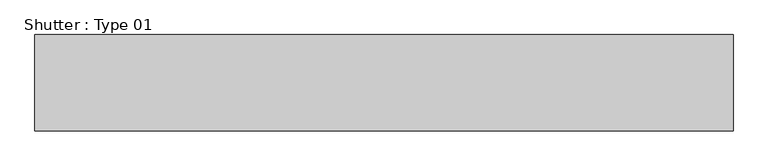
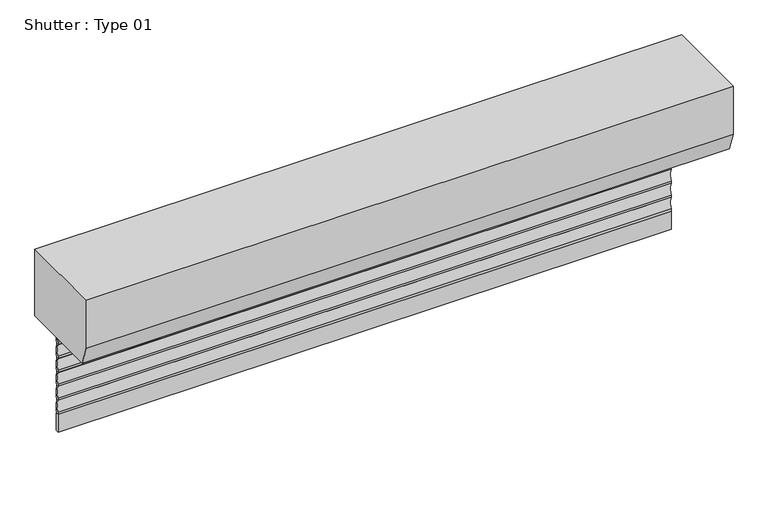
"""IFC4 building model written with IfcOpenShell, lengths in millimetres: furniture geometry, Shutter : Type 01."""

from ifc_helpers import new_model, si_unit, point, frame, frame_2d, origin, place, context, project, spatial, polyline, circle_curve, trimmed, segment, composite_curve, outline, extrude, source, transform, mapped, element, save


def shutter_type_01_c0b9c52e(model_context):
    return source(origin(), model_context, "Body", "SweptSolid", [
        extrude(outline(composite_curve([segment(polyline([(96.2355079, -238.146087), (101.5625567, -238.146087), (101.5625567, -241.4653816)]), True, "CONTINUOUS"), segment(trimmed(circle_curve(frame_2d((51.4103161, -259.6512415)), 53.3476591), [point((101.5625567, -241.4653816))], [point((101.5625567, -277.8371015))], False, "CARTESIAN"), True, "CONTINUOUS"), segment(polyline([(101.5625567, -277.8371015), (96.2355079, -277.8371015), (96.2355079, -271.2385177)]), True, "CONTINUOUS"), segment(trimmed(circle_curve(frame_2d((65.8667998, -254.6923024)), 34.5837487), [point((96.2355079, -271.2385177))], [point((96.2355079, -238.146087))], True, "CARTESIAN"), True, "CONTINUOUS")], self_intersect=False)), frame((-825.0, 0.0, 0.0), z_axis=(1.0, 0.0, 0.0), x_axis=(0.0, 1.0, 0.0)), (0.0, 0.0, 1.0), 1650.0),
        extrude(outline(composite_curve([segment(polyline([(96.2355079, -198.4550725), (101.5625567, -198.4550725), (101.5625567, -201.7743671)]), True, "CONTINUOUS"), segment(trimmed(circle_curve(frame_2d((51.4103161, -219.960227)), 53.3476591), [point((101.5625567, -201.7743671))], [point((101.5625567, -238.146087))], False, "CARTESIAN"), True, "CONTINUOUS"), segment(polyline([(101.5625567, -238.146087), (96.2355079, -238.146087), (96.2355079, -231.5475032)]), True, "CONTINUOUS"), segment(trimmed(circle_curve(frame_2d((65.8667998, -215.0012879)), 34.5837487), [point((96.2355079, -231.5475032))], [point((96.2355079, -198.4550725))], True, "CARTESIAN"), True, "CONTINUOUS")], self_intersect=False)), frame((-825.0, 0.0, 0.0), z_axis=(1.0, 0.0, 0.0), x_axis=(0.0, 1.0, 0.0)), (0.0, 0.0, 1.0), 1650.0),
        extrude(outline(composite_curve([segment(polyline([(96.2355079, -158.764058), (101.5625567, -158.764058), (101.5625567, -162.0833526)]), True, "CONTINUOUS"), segment(trimmed(circle_curve(frame_2d((51.4103161, -180.2692125)), 53.3476591), [point((101.5625567, -162.0833526))], [point((101.5625567, -198.4550725))], False, "CARTESIAN"), True, "CONTINUOUS"), segment(polyline([(101.5625567, -198.4550725), (96.2355079, -198.4550725), (96.2355079, -191.8564887)]), True, "CONTINUOUS"), segment(trimmed(circle_curve(frame_2d((65.8667998, -175.3102734)), 34.5837487), [point((96.2355079, -191.8564887))], [point((96.2355079, -158.764058))], True, "CARTESIAN"), True, "CONTINUOUS")], self_intersect=False)), frame((-825.0, 0.0, 0.0), z_axis=(1.0, 0.0, 0.0), x_axis=(0.0, 1.0, 0.0)), (0.0, 0.0, 1.0), 1650.0),
        extrude(outline(composite_curve([segment(polyline([(96.2355079, -119.0730435), (101.5625567, -119.0730435), (101.5625567, -122.3923381)]), True, "CONTINUOUS"), segment(trimmed(circle_curve(frame_2d((51.4103161, -140.578198)), 53.3476591), [point((101.5625567, -122.3923381))], [point((101.5625567, -158.764058))], False, "CARTESIAN"), True, "CONTINUOUS"), segment(polyline([(101.5625567, -158.764058), (96.2355079, -158.764058), (96.2355079, -152.1654742)]), True, "CONTINUOUS"), segment(trimmed(circle_curve(frame_2d((65.8667998, -135.6192589)), 34.5837487), [point((96.2355079, -152.1654742))], [point((96.2355079, -119.0730435))], True, "CARTESIAN"), True, "CONTINUOUS")], self_intersect=False)), frame((-825.0, 0.0, 0.0), z_axis=(1.0, 0.0, 0.0), x_axis=(0.0, 1.0, 0.0)), (0.0, 0.0, 1.0), 1650.0),
        extrude(outline(composite_curve([segment(polyline([(96.2355079, -79.382029), (101.5625567, -79.382029), (101.5625567, -82.7013236)]), True, "CONTINUOUS"), segment(trimmed(circle_curve(frame_2d((51.4103161, -100.8871835)), 53.3476591), [point((101.5625567, -82.7013236))], [point((101.5625567, -119.0730435))], False, "CARTESIAN"), True, "CONTINUOUS"), segment(polyline([(101.5625567, -119.0730435), (96.2355079, -119.0730435), (96.2355079, -112.4744597)]), True, "CONTINUOUS"), segment(trimmed(circle_curve(frame_2d((65.8667998, -95.9282444)), 34.5837487), [point((96.2355079, -112.4744597))], [point((96.2355079, -79.382029))], True, "CARTESIAN"), True, "CONTINUOUS")], self_intersect=False)), frame((-825.0, 0.0, 0.0), z_axis=(1.0, 0.0, 0.0), x_axis=(0.0, 1.0, 0.0)), (0.0, 0.0, 1.0), 1650.0),
        extrude(outline(composite_curve([segment(polyline([(96.2355079, -39.6910145), (101.5625567, -39.6910145), (101.5625567, -43.0103091)]), True, "CONTINUOUS"), segment(trimmed(circle_curve(frame_2d((51.4103161, -61.196169)), 53.3476591), [point((101.5625567, -43.0103091))], [point((101.5625567, -79.382029))], False, "CARTESIAN"), True, "CONTINUOUS"), segment(polyline([(101.5625567, -79.382029), (96.2355079, -79.382029), (96.2355079, -72.7834452)]), True, "CONTINUOUS"), segment(trimmed(circle_curve(frame_2d((65.8667998, -56.2372299)), 34.5837487), [point((96.2355079, -72.7834452))], [point((96.2355079, -39.6910145))], True, "CARTESIAN"), True, "CONTINUOUS")], self_intersect=False)), frame((-825.0, 0.0, 0.0), z_axis=(1.0, 0.0, 0.0), x_axis=(0.0, 1.0, 0.0)), (0.0, 0.0, 1.0), 1650.0),
        extrude(outline(composite_curve([segment(polyline([(96.2355079, 0.0), (101.5625567, 0.0), (101.5625567, -3.3192946)]), True, "CONTINUOUS"), segment(trimmed(circle_curve(frame_2d((51.4103161, -21.5051546)), 53.3476591), [point((101.5625567, -3.3192946))], [point((101.5625567, -39.6910145))], False, "CARTESIAN"), True, "CONTINUOUS"), segment(polyline([(101.5625567, -39.6910145), (96.2355079, -39.6910145), (96.2355079, -33.0924307)]), True, "CONTINUOUS"), segment(trimmed(circle_curve(frame_2d((65.8667998, -16.5462154)), 34.5837487), [point((96.2355079, -33.0924307))], [point((96.2355079, 0.0))], True, "CARTESIAN"), True, "CONTINUOUS")], self_intersect=False)), frame((-825.0, 0.0, 0.0), z_axis=(1.0, 0.0, 0.0), x_axis=(0.0, 1.0, 0.0)), (0.0, 0.0, 1.0), 1650.0),
        extrude(outline(polyline([(-825.0, 96.2355079), (-825.0, 104.7579752), (825.0, 104.7579752), (825.0, 96.2355079), (-825.0, 96.2355079)])), frame((0.0, 0.0, -328.8371015), z_axis=(0.0, 0.0, 1.0), x_axis=(1.0, 0.0, 0.0)), (0.0, 0.0, 1.0), 51.0),
        extrude(outline(polyline([(-113.7703978, 190.0), (126.2297613, 190.0), (126.2297613, 0.0), (-95.3003978, 0.0), (-113.7703978, 53.6407749), (-113.7703978, 190.0)])), frame((-870.0, 0.0, 0.0), z_axis=(1.0, 0.0, 0.0), x_axis=(0.0, 1.0, 0.0)), (0.0, 0.0, 1.0), 1740.0),
    ])


if __name__ == "__main__":
    model = new_model("IFC4")
    model_context = context("Model", 3, world=origin())
    ifc_project = project(units=[si_unit("LENGTHUNIT", "METRE", prefix="MILLI")], contexts=[model_context])
    site = spatial("IfcSite", under=ifc_project)
    building = spatial("IfcBuilding", under=site)
    placement = place(None, origin())
    shutter_type_01_shape = shutter_type_01_c0b9c52e(model_context)
    element("IfcFurniture", 1, ObjectType="Shutter : Type 01", at=placement, inside=building, context=model_context, shape_type="MappedRepresentation", body=[
        mapped(shutter_type_01_shape, transform((0.0, 0.0, 0.0), x_axis=(1.0, 0.0, 0.0), y_axis=(0.0, 1.0, 0.0), z_axis=(0.0, 0.0, 1.0))),
    ])
    save(model, "model.ifc")
